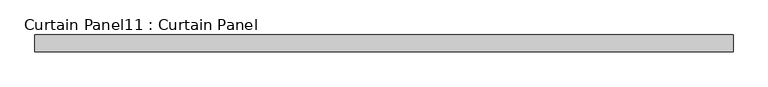
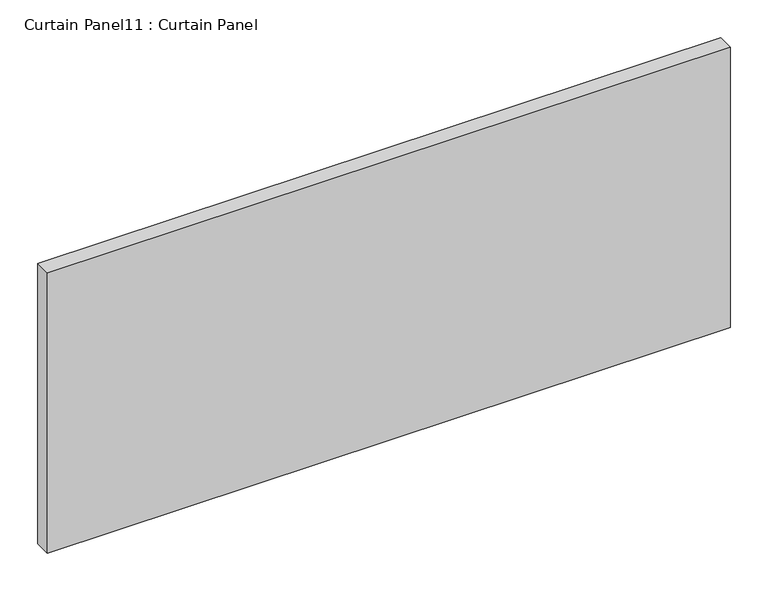
"""IFC4 building model written with IfcOpenShell, lengths in millimetres: plate geometry, Curtain Panel11 : Curtain Panel."""

from ifc_helpers import new_model, si_unit, frame, origin, place, context, project, spatial, polyline, outline, extrude, source, transform, mapped, element, save


def curtain_panel11_curtain_panel_3027fb2e(model_context):
    return source(origin(), model_context, "Body", "SweptSolid", [
        extrude(outline(polyline([(2482.7959131, 3568.3617926), (1437.1623895, 3568.3617926), (1437.1623895, 3593.7617926), (2482.7959131, 3593.7617926), (2482.7959131, 3568.3617926)])), frame((0.0, 0.0, 2554.398625), z_axis=(0.0, 0.0, 1.0), x_axis=(1.0, 0.0, 0.0)), (0.0, 0.0, 1.0), 453.80275),
    ])


if __name__ == "__main__":
    model = new_model("IFC4")
    model_context = context("Model", 3, world=origin())
    ifc_project = project(units=[si_unit("LENGTHUNIT", "METRE", prefix="MILLI")], contexts=[model_context])
    site = spatial("IfcSite", under=ifc_project)
    building = spatial("IfcBuilding", under=site)
    placement = place(None, origin())
    curtain_panel11_curtain_panel_shape = curtain_panel11_curtain_panel_3027fb2e(model_context)
    element("IfcPlate", 1, ObjectType="Curtain Panel11 : Curtain Panel", at=placement, inside=building, context=model_context, shape_type="MappedRepresentation", body=[
        mapped(curtain_panel11_curtain_panel_shape, transform((0.0, 0.0, 0.0), x_axis=(1.0, 0.0, 0.0), y_axis=(0.0, 1.0, 0.0), z_axis=(0.0, 0.0, 1.0))),
    ])
    save(model, "model.ifc")
